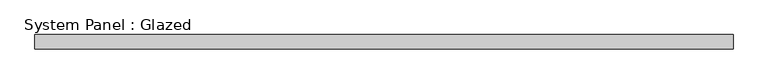
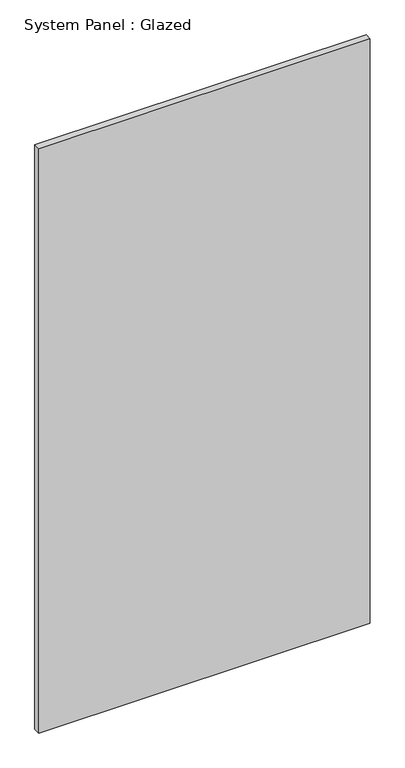
"""IFC4 building model written with IfcOpenShell, lengths in millimetres: plate geometry, System Panel : Glazed."""

from ifc_helpers import new_model, si_unit, origin, origin_with_axes, place, context, project, spatial, polyline, outline, extrude, source, transform, mapped, element, save


def system_panel_glazed_27f99ac2(model_context):
    return source(origin(), model_context, "Body", "SweptSolid", [
        extrude(outline(polyline([(628.9, 19.05), (-628.9, 19.05), (-628.9, 44.45), (628.9, 44.45), (628.9, 19.05)])), origin_with_axes(), (0.0, 0.0, 1.0), 2343.15),
    ])


if __name__ == "__main__":
    model = new_model("IFC4")
    model_context = context("Model", 3, world=origin())
    ifc_project = project(units=[si_unit("LENGTHUNIT", "METRE", prefix="MILLI")], contexts=[model_context])
    site = spatial("IfcSite", under=ifc_project)
    building = spatial("IfcBuilding", under=site)
    placement = place(None, origin())
    system_panel_glazed_shape = system_panel_glazed_27f99ac2(model_context)
    element("IfcPlate", 1, ObjectType="System Panel : Glazed", at=placement, inside=building, context=model_context, shape_type="MappedRepresentation", body=[
        mapped(system_panel_glazed_shape, transform((0.0, 0.0, 0.0), x_axis=(1.0, 0.0, 0.0), y_axis=(0.0, 1.0, 0.0), z_axis=(0.0, 0.0, 1.0))),
    ])
    save(model, "model.ifc")
